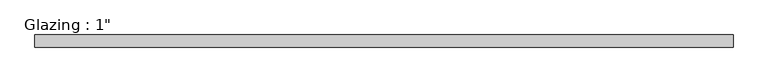
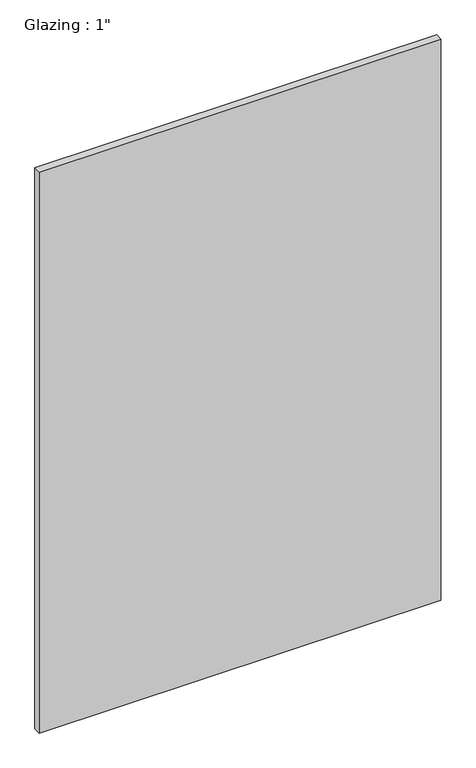
"""IFC4 building model written with IfcOpenShell, lengths in millimetres: plate geometry."""

from ifc_helpers import new_model, si_unit, origin, origin_with_axes, place, context, project, spatial, polyline, outline, extrude, source, transform, mapped, element, save


def plate_4f1a0a04(model_context):
    return source(origin(), model_context, "Body", "SweptSolid", [
        extrude(outline(polyline([(709.0714792, 12.7), (709.0714792, -12.7), (-709.0714792, -12.7), (-709.0714792, 12.7), (709.0714792, 12.7)])), origin_with_axes(), (0.0, 0.0, 1.0), 2094.5430277),
    ])


if __name__ == "__main__":
    model = new_model("IFC4")
    model_context = context("Model", 3, world=origin())
    ifc_project = project(units=[si_unit("LENGTHUNIT", "METRE", prefix="MILLI")], contexts=[model_context])
    site = spatial("IfcSite", under=ifc_project)
    building = spatial("IfcBuilding", under=site)
    placement = place(None, origin())
    plate_shape = plate_4f1a0a04(model_context)
    element("IfcPlate", 1, ObjectType="Glazing : 1\"", at=placement, inside=building, context=model_context, shape_type="MappedRepresentation", body=[
        mapped(plate_shape, transform((0.0, 0.0, 0.0), x_axis=(1.0, 0.0, 0.0), y_axis=(0.0, 1.0, 0.0), z_axis=(0.0, 0.0, 1.0))),
    ])
    save(model, "model.ifc")
